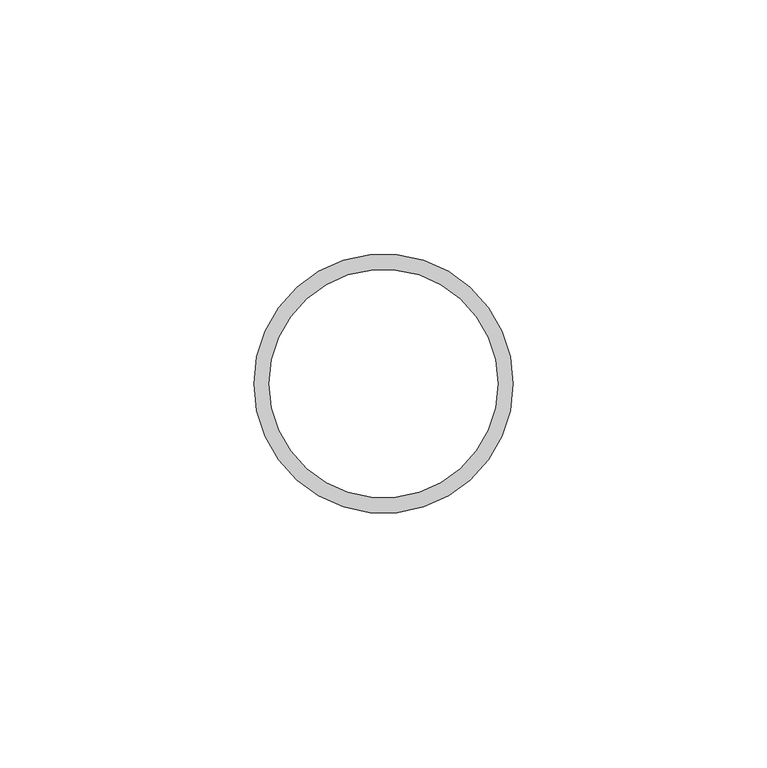
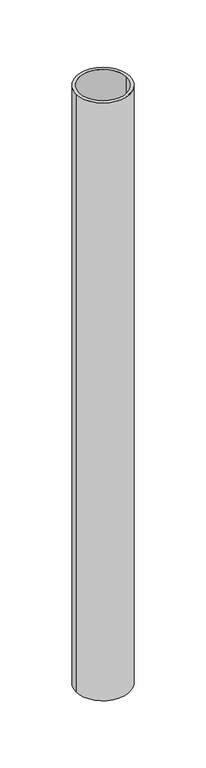
"""IFC4 building model written with IfcOpenShell, lengths in millimetres: beam geometry."""

from ifc_helpers import new_model, si_unit, point, frame, origin, origin_2d, place, context, project, spatial, circle_curve, trimmed, segment, composite_curve, outline, extrude, source, transform, mapped, element, save


def beam_fee4eb89(model_context):
    return source(origin(), model_context, "Body", "SweptSolid", [
        extrude(outline(composite_curve([segment(trimmed(circle_curve(origin_2d(), 25.5), [point((25.5, 0.0))], [point((-25.5, 0.0))], False, "CARTESIAN"), True, "CONTINUOUS"), segment(trimmed(circle_curve(origin_2d(), 25.5), [point((-25.5, 0.0))], [point((25.5, 0.0))], False, "CARTESIAN"), True, "CONTINUOUS")], self_intersect=False), holes=[composite_curve([segment(trimmed(circle_curve(origin_2d(), 22.5), [point((22.5, 0.0))], [point((-22.5, 0.0))], True, "CARTESIAN"), True, "CONTINUOUS"), segment(trimmed(circle_curve(origin_2d(), 22.5), [point((-22.5, 0.0))], [point((22.5, 0.0))], True, "CARTESIAN"), True, "CONTINUOUS")], self_intersect=False)]), frame((0.0, 0.0, -600.0), z_axis=(0.0, 0.0, 1.0), x_axis=(1.0, 0.0, 0.0)), (0.0, 0.0, 1.0), 600.0),
    ])


if __name__ == "__main__":
    model = new_model("IFC4")
    model_context = context("Model", 3, world=origin())
    ifc_project = project(units=[si_unit("LENGTHUNIT", "METRE", prefix="MILLI")], contexts=[model_context])
    site = spatial("IfcSite", under=ifc_project)
    building = spatial("IfcBuilding", under=site)
    placement = place(None, origin())
    beam_shape = beam_fee4eb89(model_context)
    element("IfcBeam", 1, at=placement, inside=building, context=model_context, shape_type="MappedRepresentation", body=[
        mapped(beam_shape, transform((0.0, 0.0, 0.0), x_axis=(1.0, 0.0, 0.0), y_axis=(0.0, 1.0, 0.0), z_axis=(0.0, 0.0, 1.0))),
    ])
    save(model, "model.ifc")
